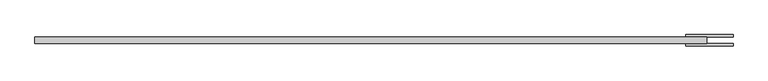
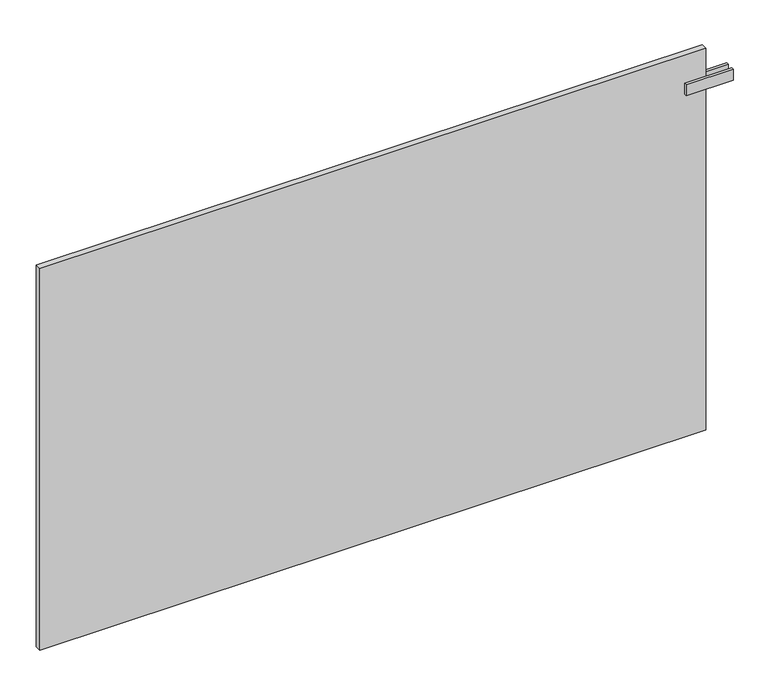
"""IFC4 building model written with IfcOpenShell, lengths in millimetres: plate geometry."""

from ifc_helpers import new_model, si_unit, frame, origin, origin_with_axes, place, context, project, spatial, polyline, outline, extrude, source, transform, mapped, element, save


def plate_a0461578(model_context):
    return source(origin(), model_context, "Body", "SweptSolid", [
        extrude(outline(polyline([(662.5000001, -11.75), (662.5000001, -6.75), (762.5000001, -6.75), (762.5000001, -11.75), (662.5000001, -11.75)])), frame((0.0, 0.0, 770.5), z_axis=(0.0, 0.0, 1.0), x_axis=(1.0, 0.0, 0.0)), (0.0, 0.0, 1.0), 25.0),
        extrude(outline(polyline([(662.5000001, 11.75), (762.5000001, 11.75), (762.5000001, 6.75), (662.5000001, 6.75), (662.5000001, 11.75)])), frame((0.0, 0.0, 770.5), z_axis=(0.0, 0.0, 1.0), x_axis=(1.0, 0.0, 0.0)), (0.0, 0.0, 1.0), 25.0),
        extrude(outline(polyline([(707.5000001, 6.75), (707.5000001, -6.75), (-707.5000001, -6.75), (-707.5000001, 6.75), (707.5000001, 6.75)])), origin_with_axes(), (0.0, 0.0, 1.0), 858.0),
    ])


if __name__ == "__main__":
    model = new_model("IFC4")
    model_context = context("Model", 3, world=origin())
    ifc_project = project(units=[si_unit("LENGTHUNIT", "METRE", prefix="MILLI")], contexts=[model_context])
    site = spatial("IfcSite", under=ifc_project)
    building = spatial("IfcBuilding", under=site)
    placement = place(None, origin())
    plate_shape = plate_a0461578(model_context)
    element("IfcPlate", 1, at=placement, inside=building, context=model_context, shape_type="MappedRepresentation", body=[
        mapped(plate_shape, transform((0.0, 0.0, 0.0), x_axis=(1.0, 0.0, 0.0), y_axis=(0.0, 1.0, 0.0), z_axis=(0.0, 0.0, 1.0))),
    ])
    save(model, "model.ifc")
